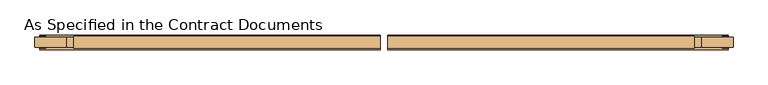
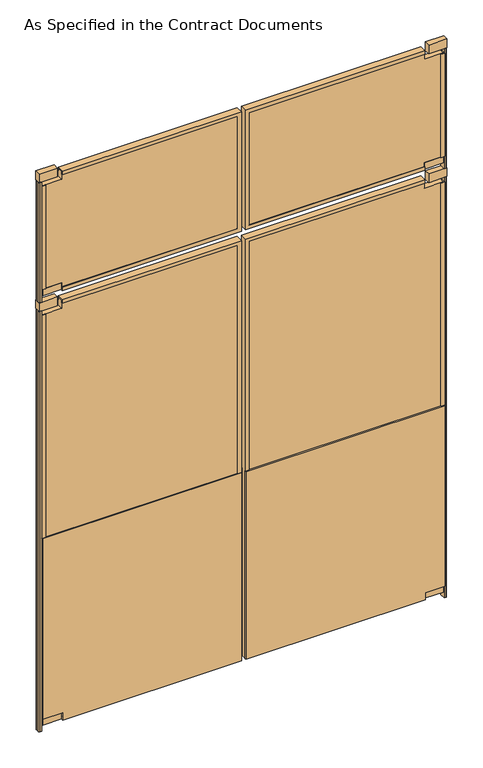
"""IFC4 building model written with IfcOpenShell, lengths in millimetres: door geometry, As Specified in the Contract Documents."""

from ifc_helpers import new_model, si_unit, point, frame, frame_2d, origin, origin_with_axes, place, context, project, spatial, polyline, circle_curve, trimmed, segment, composite_curve, outline, extrude, faceted_brep, source, transform, mapped, element, save


def as_specified_in_the_contract_documents_c331deed(model_context):
    return source(origin(), model_context, "Body", "SolidModel", [
        extrude(outline(polyline([(-876.3, -30.1625), (-863.6, -30.1625), (-863.6, -33.3375), (-879.475, -33.3375), (-879.475, -1.5875), (-863.6, -1.5875), (-863.6, -4.7625), (-876.3, -4.7625), (-876.3, -30.1625)])), frame((0.0, 0.0, 2092.325), z_axis=(0.0, 0.0, 1.0), x_axis=(1.0, 0.0, 0.0)), (0.0, 0.0, 1.0), 488.95),
        faceted_brep([(-790.575, -30.1625, 2060.575), (-790.575, -4.7625, 2060.575), (-790.575, -4.7625, 2073.275), (-790.575, -1.5875, 2073.275), (-790.575, -1.5875, 2057.4), (-790.575, -33.3375, 2057.4), (-790.575, -33.3375, 2073.275), (-790.575, -30.1625, 2073.275), (-3.175, -30.1625, 2073.275), (-3.175, -30.1625, 2606.675), (-790.575, -30.1625, 2606.675), (-790.575, -30.1625, 2619.375), (9.525, -30.1625, 2619.375), (9.525, -30.1625, 2060.575), (-3.175, -33.3375, 2073.275), (12.7, -33.3375, 2057.4), (12.7, -33.3375, 2622.55), (-790.575, -33.3375, 2622.55), (-790.575, -33.3375, 2606.675), (-3.175, -33.3375, 2606.675), (12.7, -1.5875, 2057.4), (-3.175, -1.5875, 2073.275), (-3.175, -1.5875, 2606.675), (-790.575, -1.5875, 2606.675), (-790.575, -1.5875, 2622.55), (12.7, -1.5875, 2622.55), (-3.175, -4.7625, 2073.275), (9.525, -4.7625, 2060.575), (9.525, -4.7625, 2619.375), (-790.575, -4.7625, 2619.375), (-790.575, -4.7625, 2606.675), (-3.175, -4.7625, 2606.675)], [[[0, 1, 2, 3, 4, 5, 6, 7]], [[7, 8, 9, 10, 11, 12, 13, 0]], [[6, 14, 8, 7]], [[5, 15, 16, 17, 18, 19, 14, 6]], [[4, 20, 15, 5]], [[3, 21, 22, 23, 24, 25, 20, 4]], [[2, 26, 21, 3]], [[1, 27, 28, 29, 30, 31, 26, 2]], [[0, 13, 27, 1]], [[14, 19, 9, 8]], [[20, 25, 16, 15]], [[26, 31, 22, 21]], [[13, 12, 28, 27]], [[11, 10, 18, 17, 24, 23, 30, 29]], [[19, 18, 10, 9]], [[25, 24, 17, 16]], [[31, 30, 23, 22]], [[12, 11, 29, 28]]]),
        extrude(outline(composite_curve([segment(polyline([(-879.475, -4.7625), (-879.475, -30.1625), (-885.825, -30.1625)]), True, "CONTINUOUS"), segment(trimmed(circle_curve(frame_2d((-885.825, -23.8125)), 6.35), [point((-885.825, -30.1625))], [point((-892.175, -23.8125))], False, "CARTESIAN"), True, "CONTINUOUS"), segment(polyline([(-892.175, -23.8125), (-892.175, -11.1125)]), True, "CONTINUOUS"), segment(trimmed(circle_curve(frame_2d((-885.825, -11.1125)), 6.35), [point((-892.175, -11.1125))], [point((-885.825, -4.7625))], False, "CARTESIAN"), True, "CONTINUOUS"), segment(polyline([(-885.825, -4.7625), (-879.475, -4.7625)]), True, "CONTINUOUS")], self_intersect=False)), frame((0.0, 0.0, 2032.0), z_axis=(0.0, 0.0, 1.0), x_axis=(1.0, 0.0, 0.0)), (0.0, 0.0, 1.0), 568.325),
        extrude(outline(polyline([(-892.175, -4.7625), (-809.625, -4.7625), (-809.625, -30.1625), (-892.175, -30.1625), (-892.175, -4.7625)])), frame((0.0, 0.0, 2600.325), z_axis=(0.0, 0.0, 1.0), x_axis=(1.0, 0.0, 0.0)), (0.0, 0.0, 1.0), 41.275),
        extrude(outline(polyline([(-876.3, -4.7625), (-790.575, -4.7625), (-790.575, -30.1625), (-876.3, -30.1625), (-876.3, -4.7625)])), frame((0.0, 0.0, 2060.575), z_axis=(0.0, 0.0, 1.0), x_axis=(1.0, 0.0, 0.0)), (0.0, 0.0, 1.0), 31.75),
        extrude(outline(polyline([(2619.375, -790.575), (2581.275, -790.575), (2581.275, -876.3), (2092.325, -876.3), (2092.325, -790.575), (2060.575, -790.575), (2060.575, 9.525), (2619.375, 9.525), (2619.375, -790.575)])), frame((0.0, -30.1625, 0.0), z_axis=(0.0, 1.0, 0.0), x_axis=(0.0, 0.0, 1.0)), (0.0, 0.0, 1.0), 25.4),
        extrude(outline(polyline([(920.75, -30.1625), (920.75, -4.7625), (908.05, -4.7625), (908.05, -1.5875), (923.925, -1.5875), (923.925, -33.3375), (908.05, -33.3375), (908.05, -30.1625), (920.75, -30.1625)])), frame((0.0, 0.0, 2092.325), z_axis=(0.0, 0.0, 1.0), x_axis=(1.0, 0.0, 0.0)), (0.0, 0.0, 1.0), 488.95),
        faceted_brep([(835.025, -30.1625, 2060.575), (835.025, -30.1625, 2073.275), (835.025, -33.3375, 2073.275), (835.025, -33.3375, 2057.4), (835.025, -1.5875, 2057.4), (835.025, -1.5875, 2073.275), (835.025, -4.7625, 2073.275), (835.025, -4.7625, 2060.575), (34.925, -30.1625, 2060.575), (34.925, -30.1625, 2619.375), (835.025, -30.1625, 2619.375), (835.025, -30.1625, 2606.675), (47.625, -30.1625, 2606.675), (47.625, -30.1625, 2073.275), (47.625, -33.3375, 2073.275), (47.625, -33.3375, 2606.675), (835.025, -33.3375, 2606.675), (835.025, -33.3375, 2622.55), (31.75, -33.3375, 2622.55), (31.75, -33.3375, 2057.4), (31.75, -1.5875, 2057.4), (31.75, -1.5875, 2622.55), (835.025, -1.5875, 2622.55), (835.025, -1.5875, 2606.675), (47.625, -1.5875, 2606.675), (47.625, -1.5875, 2073.275), (47.625, -4.7625, 2073.275), (47.625, -4.7625, 2606.675), (835.025, -4.7625, 2606.675), (835.025, -4.7625, 2619.375), (34.925, -4.7625, 2619.375), (34.925, -4.7625, 2060.575)], [[[0, 1, 2, 3, 4, 5, 6, 7]], [[1, 0, 8, 9, 10, 11, 12, 13]], [[2, 1, 13, 14]], [[3, 2, 14, 15, 16, 17, 18, 19]], [[4, 3, 19, 20]], [[5, 4, 20, 21, 22, 23, 24, 25]], [[6, 5, 25, 26]], [[7, 6, 26, 27, 28, 29, 30, 31]], [[0, 7, 31, 8]], [[14, 13, 12, 15]], [[20, 19, 18, 21]], [[26, 25, 24, 27]], [[8, 31, 30, 9]], [[10, 29, 28, 23, 22, 17, 16, 11]], [[15, 12, 11, 16]], [[21, 18, 17, 22]], [[27, 24, 23, 28]], [[9, 30, 29, 10]]]),
        extrude(outline(composite_curve([segment(polyline([(923.925, -4.7625), (930.275, -4.7625)]), True, "CONTINUOUS"), segment(trimmed(circle_curve(frame_2d((930.275, -11.1125)), 6.35), [point((930.275, -4.7625))], [point((936.625, -11.1125))], False, "CARTESIAN"), True, "CONTINUOUS"), segment(polyline([(936.625, -11.1125), (936.625, -23.8125)]), True, "CONTINUOUS"), segment(trimmed(circle_curve(frame_2d((930.275, -23.8125)), 6.35), [point((936.625, -23.8125))], [point((930.275, -30.1625))], False, "CARTESIAN"), True, "CONTINUOUS"), segment(polyline([(930.275, -30.1625), (923.925, -30.1625), (923.925, -4.7625)]), True, "CONTINUOUS")], self_intersect=False)), frame((0.0, 0.0, 2032.0), z_axis=(0.0, 0.0, 1.0), x_axis=(1.0, 0.0, 0.0)), (0.0, 0.0, 1.0), 568.325),
        extrude(outline(polyline([(936.625, -4.7625), (936.625, -30.1625), (854.075, -30.1625), (854.075, -4.7625), (936.625, -4.7625)])), frame((0.0, 0.0, 2600.325), z_axis=(0.0, 0.0, 1.0), x_axis=(1.0, 0.0, 0.0)), (0.0, 0.0, 1.0), 41.275),
        extrude(outline(polyline([(920.75, -4.7625), (920.75, -30.1625), (835.025, -30.1625), (835.025, -4.7625), (920.75, -4.7625)])), frame((0.0, 0.0, 2060.575), z_axis=(0.0, 0.0, 1.0), x_axis=(1.0, 0.0, 0.0)), (0.0, 0.0, 1.0), 31.75),
        extrude(outline(polyline([(2619.375, 835.025), (2619.375, 34.925), (2060.575, 34.925), (2060.575, 835.025), (2092.325, 835.025), (2092.325, 920.75), (2581.275, 920.75), (2581.275, 835.025), (2619.375, 835.025)])), frame((0.0, -30.1625, 0.0), z_axis=(0.0, 1.0, 0.0), x_axis=(0.0, 0.0, 1.0)), (0.0, 0.0, 1.0), 25.4),
        extrude(outline(polyline([(25.4, -790.575), (25.4, 12.7), (914.4, 12.7), (914.4, -879.475), (60.325, -879.475), (60.325, -790.575), (25.4, -790.575)])), frame((0.0, -4.7625, 0.0), z_axis=(0.0, 1.0, 0.0), x_axis=(0.0, 0.0, 1.0)), (0.0, 0.0, 1.0), 6.35),
        extrude(outline(polyline([(25.4, -790.575), (25.4, 12.7), (914.4, 12.7), (914.4, -879.475), (60.325, -879.475), (60.325, -790.575), (25.4, -790.575)])), frame((0.0, -36.5125, 0.0), z_axis=(0.0, 1.0, 0.0), x_axis=(0.0, 0.0, 1.0)), (0.0, 0.0, 1.0), 6.35),
        extrude(outline(polyline([(-876.3, -30.1625), (-863.6, -30.1625), (-863.6, -33.3375), (-879.475, -33.3375), (-879.475, -1.5875), (-863.6, -1.5875), (-863.6, -4.7625), (-876.3, -4.7625), (-876.3, -30.1625)])), frame((0.0, 0.0, 60.325), z_axis=(0.0, 0.0, 1.0), x_axis=(1.0, 0.0, 0.0)), (0.0, 0.0, 1.0), 1911.35),
        faceted_brep([(-790.575, -30.1625, 28.575), (-790.575, -4.7625, 28.575), (-790.575, -4.7625, 41.275), (-790.575, -1.5875, 41.275), (-790.575, -1.5875, 25.4), (-790.575, -33.3375, 25.4), (-790.575, -33.3375, 41.275), (-790.575, -30.1625, 41.275), (-3.175, -30.1625, 41.275), (-3.175, -30.1625, 1997.075), (-790.575, -30.1625, 1997.075), (-790.575, -30.1625, 2009.775), (9.525, -30.1625, 2009.775), (9.525, -30.1625, 28.575), (-3.175, -33.3375, 41.275), (12.7, -33.3375, 25.4), (12.7, -33.3375, 2012.95), (-790.575, -33.3375, 2012.95), (-790.575, -33.3375, 1997.075), (-3.175, -33.3375, 1997.075), (12.7, -1.5875, 25.4), (-3.175, -1.5875, 41.275), (-3.175, -1.5875, 1997.075), (-790.575, -1.5875, 1997.075), (-790.575, -1.5875, 2012.95), (12.7, -1.5875, 2012.95), (-3.175, -4.7625, 41.275), (9.525, -4.7625, 28.575), (9.525, -4.7625, 2009.775), (-790.575, -4.7625, 2009.775), (-790.575, -4.7625, 1997.075), (-3.175, -4.7625, 1997.075)], [[[0, 1, 2, 3, 4, 5, 6, 7]], [[7, 8, 9, 10, 11, 12, 13, 0]], [[6, 14, 8, 7]], [[5, 15, 16, 17, 18, 19, 14, 6]], [[4, 20, 15, 5]], [[3, 21, 22, 23, 24, 25, 20, 4]], [[2, 26, 21, 3]], [[1, 27, 28, 29, 30, 31, 26, 2]], [[0, 13, 27, 1]], [[14, 19, 9, 8]], [[20, 25, 16, 15]], [[26, 31, 22, 21]], [[13, 12, 28, 27]], [[11, 10, 18, 17, 24, 23, 30, 29]], [[19, 18, 10, 9]], [[25, 24, 17, 16]], [[31, 30, 23, 22]], [[12, 11, 29, 28]]]),
        extrude(outline(composite_curve([segment(polyline([(-879.475, -4.7625), (-879.475, -30.1625), (-885.825, -30.1625)]), True, "CONTINUOUS"), segment(trimmed(circle_curve(frame_2d((-885.825, -23.8125)), 6.35), [point((-885.825, -30.1625))], [point((-892.175, -23.8125))], False, "CARTESIAN"), True, "CONTINUOUS"), segment(polyline([(-892.175, -23.8125), (-892.175, -11.1125)]), True, "CONTINUOUS"), segment(trimmed(circle_curve(frame_2d((-885.825, -11.1125)), 6.35), [point((-892.175, -11.1125))], [point((-885.825, -4.7625))], False, "CARTESIAN"), True, "CONTINUOUS"), segment(polyline([(-885.825, -4.7625), (-879.475, -4.7625)]), True, "CONTINUOUS")], self_intersect=False)), origin_with_axes(), (0.0, 0.0, 1.0), 1990.725),
        extrude(outline(polyline([(-892.175, -4.7625), (-809.625, -4.7625), (-809.625, -30.1625), (-892.175, -30.1625), (-892.175, -4.7625)])), frame((0.0, 0.0, 1990.725), z_axis=(0.0, 0.0, 1.0), x_axis=(1.0, 0.0, 0.0)), (0.0, 0.0, 1.0), 41.275),
        extrude(outline(polyline([(-876.3, -4.7625), (-790.575, -4.7625), (-790.575, -30.1625), (-876.3, -30.1625), (-876.3, -4.7625)])), frame((0.0, 0.0, 28.575), z_axis=(0.0, 0.0, 1.0), x_axis=(1.0, 0.0, 0.0)), (0.0, 0.0, 1.0), 31.75),
        extrude(outline(polyline([(2009.775, -790.575), (1971.675, -790.575), (1971.675, -876.3), (60.325, -876.3), (60.325, -790.575), (28.575, -790.575), (28.575, 9.525), (2009.775, 9.525), (2009.775, -790.575)])), frame((0.0, -30.1625, 0.0), z_axis=(0.0, 1.0, 0.0), x_axis=(0.0, 0.0, 1.0)), (0.0, 0.0, 1.0), 25.4),
        extrude(outline(polyline([(25.4, 835.025), (60.325, 835.025), (60.325, 923.925), (914.4, 923.925), (914.4, 31.75), (25.4, 31.75), (25.4, 835.025)])), frame((0.0, -4.7625, 0.0), z_axis=(0.0, 1.0, 0.0), x_axis=(0.0, 0.0, 1.0)), (0.0, 0.0, 1.0), 6.35),
        extrude(outline(polyline([(25.4, 835.025), (60.325, 835.025), (60.325, 923.925), (914.4, 923.925), (914.4, 31.75), (25.4, 31.75), (25.4, 835.025)])), frame((0.0, -36.5125, 0.0), z_axis=(0.0, 1.0, 0.0), x_axis=(0.0, 0.0, 1.0)), (0.0, 0.0, 1.0), 6.35),
        extrude(outline(polyline([(920.75, -30.1625), (920.75, -4.7625), (908.05, -4.7625), (908.05, -1.5875), (923.925, -1.5875), (923.925, -33.3375), (908.05, -33.3375), (908.05, -30.1625), (920.75, -30.1625)])), frame((0.0, 0.0, 60.325), z_axis=(0.0, 0.0, 1.0), x_axis=(1.0, 0.0, 0.0)), (0.0, 0.0, 1.0), 1911.35),
        faceted_brep([(835.025, -30.1625, 28.575), (835.025, -30.1625, 41.275), (835.025, -33.3375, 41.275), (835.025, -33.3375, 25.4), (835.025, -1.5875, 25.4), (835.025, -1.5875, 41.275), (835.025, -4.7625, 41.275), (835.025, -4.7625, 28.575), (34.925, -30.1625, 28.575), (34.925, -30.1625, 2009.775), (835.025, -30.1625, 2009.775), (835.025, -30.1625, 1997.075), (47.625, -30.1625, 1997.075), (47.625, -30.1625, 41.275), (47.625, -33.3375, 41.275), (47.625, -33.3375, 1997.075), (835.025, -33.3375, 1997.075), (835.025, -33.3375, 2012.95), (31.75, -33.3375, 2012.95), (31.75, -33.3375, 25.4), (31.75, -1.5875, 25.4), (31.75, -1.5875, 2012.95), (835.025, -1.5875, 2012.95), (835.025, -1.5875, 1997.075), (47.625, -1.5875, 1997.075), (47.625, -1.5875, 41.275), (47.625, -4.7625, 41.275), (47.625, -4.7625, 1997.075), (835.025, -4.7625, 1997.075), (835.025, -4.7625, 2009.775), (34.925, -4.7625, 2009.775), (34.925, -4.7625, 28.575)], [[[0, 1, 2, 3, 4, 5, 6, 7]], [[1, 0, 8, 9, 10, 11, 12, 13]], [[2, 1, 13, 14]], [[3, 2, 14, 15, 16, 17, 18, 19]], [[4, 3, 19, 20]], [[5, 4, 20, 21, 22, 23, 24, 25]], [[6, 5, 25, 26]], [[7, 6, 26, 27, 28, 29, 30, 31]], [[0, 7, 31, 8]], [[14, 13, 12, 15]], [[20, 19, 18, 21]], [[26, 25, 24, 27]], [[8, 31, 30, 9]], [[10, 29, 28, 23, 22, 17, 16, 11]], [[15, 12, 11, 16]], [[21, 18, 17, 22]], [[27, 24, 23, 28]], [[9, 30, 29, 10]]]),
        extrude(outline(composite_curve([segment(polyline([(923.925, -4.7625), (930.275, -4.7625)]), True, "CONTINUOUS"), segment(trimmed(circle_curve(frame_2d((930.275, -11.1125)), 6.35), [point((930.275, -4.7625))], [point((936.625, -11.1125))], False, "CARTESIAN"), True, "CONTINUOUS"), segment(polyline([(936.625, -11.1125), (936.625, -23.8125)]), True, "CONTINUOUS"), segment(trimmed(circle_curve(frame_2d((930.275, -23.8125)), 6.35), [point((936.625, -23.8125))], [point((930.275, -30.1625))], False, "CARTESIAN"), True, "CONTINUOUS"), segment(polyline([(930.275, -30.1625), (923.925, -30.1625), (923.925, -4.7625)]), True, "CONTINUOUS")], self_intersect=False)), origin_with_axes(), (0.0, 0.0, 1.0), 1990.725),
        extrude(outline(polyline([(936.625, -4.7625), (936.625, -30.1625), (854.075, -30.1625), (854.075, -4.7625), (936.625, -4.7625)])), frame((0.0, 0.0, 1990.725), z_axis=(0.0, 0.0, 1.0), x_axis=(1.0, 0.0, 0.0)), (0.0, 0.0, 1.0), 41.275),
        extrude(outline(polyline([(920.75, -4.7625), (920.75, -30.1625), (835.025, -30.1625), (835.025, -4.7625), (920.75, -4.7625)])), frame((0.0, 0.0, 28.575), z_axis=(0.0, 0.0, 1.0), x_axis=(1.0, 0.0, 0.0)), (0.0, 0.0, 1.0), 31.75),
        extrude(outline(polyline([(2009.775, 835.025), (2009.775, 34.925), (28.575, 34.925), (28.575, 835.025), (60.325, 835.025), (60.325, 920.75), (1971.675, 920.75), (1971.675, 835.025), (2009.775, 835.025)])), frame((0.0, -30.1625, 0.0), z_axis=(0.0, 1.0, 0.0), x_axis=(0.0, 0.0, 1.0)), (0.0, 0.0, 1.0), 25.4),
    ])


if __name__ == "__main__":
    model = new_model("IFC4")
    model_context = context("Model", 3, world=origin())
    ifc_project = project(units=[si_unit("LENGTHUNIT", "METRE", prefix="MILLI")], contexts=[model_context])
    site = spatial("IfcSite", under=ifc_project)
    building = spatial("IfcBuilding", under=site)
    placement = place(None, origin())
    as_specified_in_the_contract_documents_shape = as_specified_in_the_contract_documents_c331deed(model_context)
    element("IfcDoor", 1, ObjectType="As Specified in the Contract Documents", at=placement, inside=building, context=model_context, shape_type="MappedRepresentation", body=[
        mapped(as_specified_in_the_contract_documents_shape, transform((0.0, 0.0, 0.0), x_axis=(1.0, 0.0, 0.0), y_axis=(0.0, 1.0, 0.0), z_axis=(0.0, 0.0, 1.0))),
    ])
    save(model, "model.ifc")
